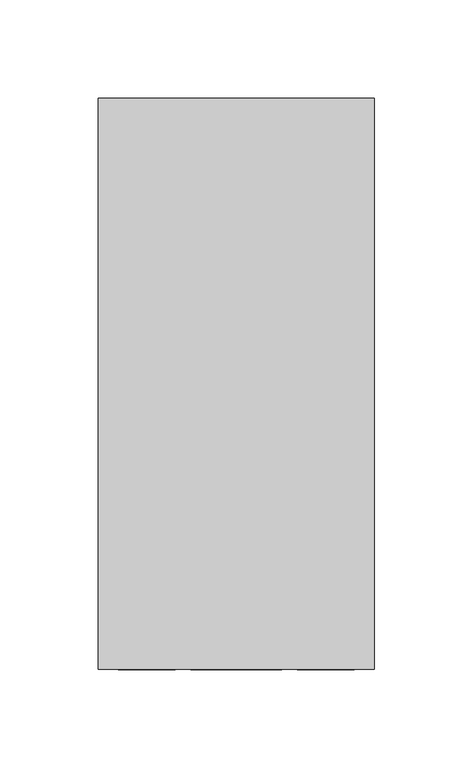
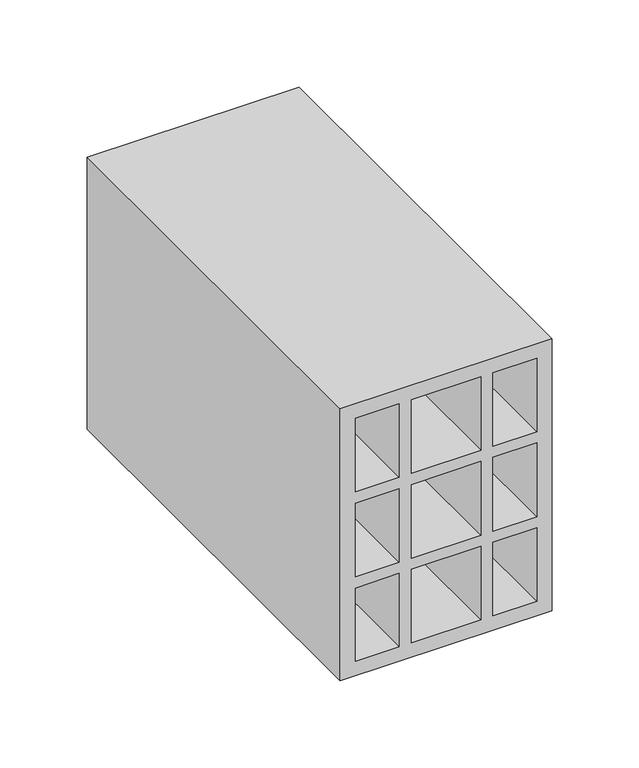
"""IFC4 building model written with IfcOpenShell, lengths in millimetres: proxy geometry."""

from ifc_helpers import new_model, si_unit, frame, origin, place, context, project, spatial, polyline, outline, extrude, source, transform, mapped, element, save


def generic_models_a425b2c9(model_context):
    return source(origin(), model_context, "Body", "SweptSolid", [
        extrude(outline(polyline([(0.0, 140.0), (190.0, 140.0), (190.0, 0.0), (0.0, 0.0), (0.0, 140.0)]), holes=[polyline([(10.0, 101.0), (61.3, 101.0), (61.3, 130.0), (10.0, 130.0), (10.0, 101.0)]), polyline([(10.0, 39.0), (10.0, 10.0), (61.3, 10.0), (61.3, 39.0), (10.0, 39.0)]), polyline([(180.0, 101.0), (180.0, 130.0), (128.7, 130.0), (128.7, 101.0), (180.0, 101.0)]), polyline([(180.0, 39.0), (128.7, 39.0), (128.7, 10.0), (180.0, 10.0), (180.0, 39.0)]), polyline([(61.3, 93.0), (10.0, 93.0), (10.0, 47.0), (61.3, 47.0), (61.3, 93.0)]), polyline([(128.7, 93.0), (128.7, 47.0), (180.0, 47.0), (180.0, 93.0), (128.7, 93.0)]), polyline([(120.7, 130.0), (69.2564307, 130.0), (69.2564307, 101.0), (120.7, 101.0), (120.7, 130.0)]), polyline([(120.7, 10.0), (120.7, 39.0), (69.2564307, 39.0), (69.2564307, 10.0), (120.7, 10.0)]), polyline([(120.7, 93.0), (69.2564307, 93.0), (69.2564307, 47.0), (120.7, 47.0), (120.7, 93.0)])]), frame((0.0, 0.0, 0.0), z_axis=(0.0, 1.0, 0.0), x_axis=(0.0, 0.0, 1.0)), (0.0, 0.0, 1.0), 290.0),
    ])


if __name__ == "__main__":
    model = new_model("IFC4")
    model_context = context("Model", 3, world=origin())
    ifc_project = project(units=[si_unit("LENGTHUNIT", "METRE", prefix="MILLI")], contexts=[model_context])
    site = spatial("IfcSite", under=ifc_project)
    building = spatial("IfcBuilding", under=site)
    placement = place(None, origin())
    generic_models_shape = generic_models_a425b2c9(model_context)
    element("IfcBuildingElementProxy", 1, Name="Generic Models", at=placement, inside=building, context=model_context, shape_type="MappedRepresentation", body=[
        mapped(generic_models_shape, transform((0.0, 0.0, 0.0), x_axis=(1.0, 0.0, 0.0), y_axis=(0.0, 1.0, 0.0), z_axis=(0.0, 0.0, 1.0))),
    ])
    save(model, "model.ifc")
